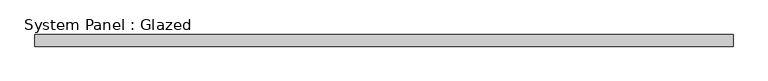
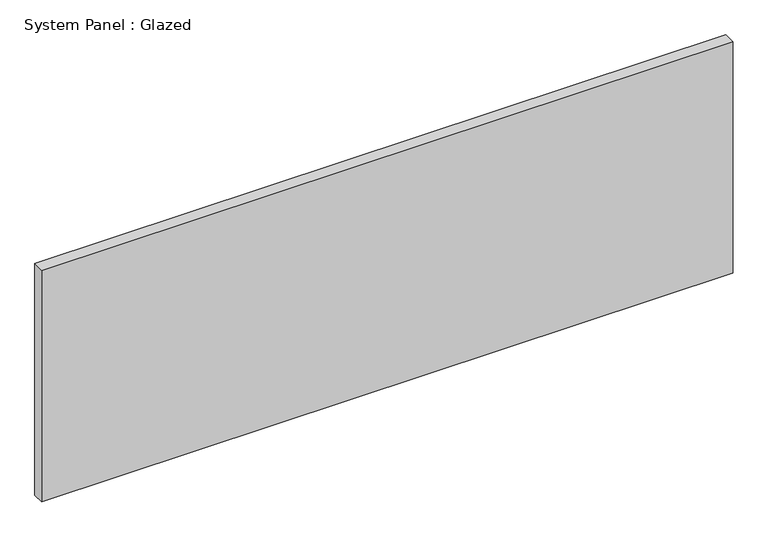
"""IFC4 building model written with IfcOpenShell, lengths in millimetres: plate geometry, System Panel : Glazed."""

from ifc_helpers import new_model, si_unit, origin, origin_with_axes, place, context, project, spatial, polyline, outline, extrude, source, transform, mapped, element, save


def system_panel_glazed_57ee0982(model_context):
    return source(origin(), model_context, "Body", "SweptSolid", [
        extrude(outline(polyline([(762.0, -12.7), (-762.0, -12.7), (-762.0, 12.7), (762.0, 12.7), (762.0, -12.7)])), origin_with_axes(), (0.0, 0.0, 1.0), 539.75),
    ])


if __name__ == "__main__":
    model = new_model("IFC4")
    model_context = context("Model", 3, world=origin())
    ifc_project = project(units=[si_unit("LENGTHUNIT", "METRE", prefix="MILLI")], contexts=[model_context])
    site = spatial("IfcSite", under=ifc_project)
    building = spatial("IfcBuilding", under=site)
    placement = place(None, origin())
    system_panel_glazed_shape = system_panel_glazed_57ee0982(model_context)
    element("IfcPlate", 1, ObjectType="System Panel : Glazed", at=placement, inside=building, context=model_context, shape_type="MappedRepresentation", body=[
        mapped(system_panel_glazed_shape, transform((0.0, 0.0, 0.0), x_axis=(1.0, 0.0, 0.0), y_axis=(0.0, 1.0, 0.0), z_axis=(0.0, 0.0, 1.0))),
    ])
    save(model, "model.ifc")
